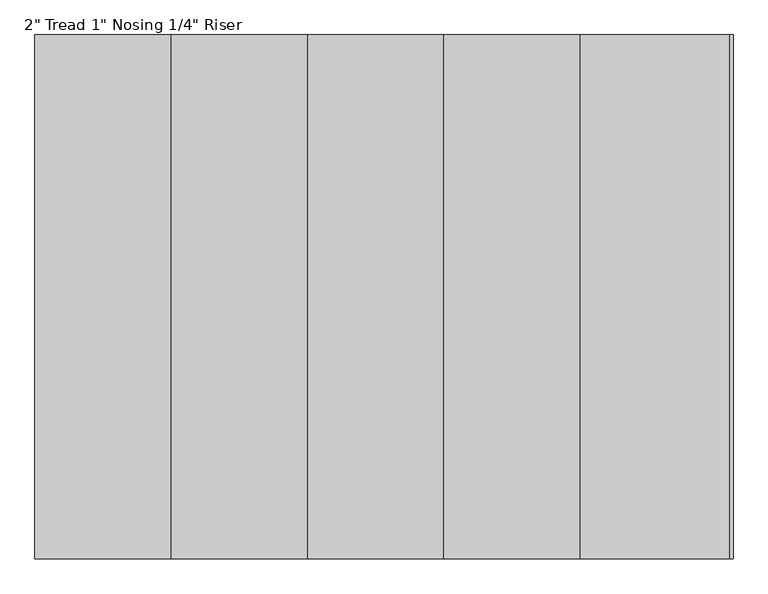
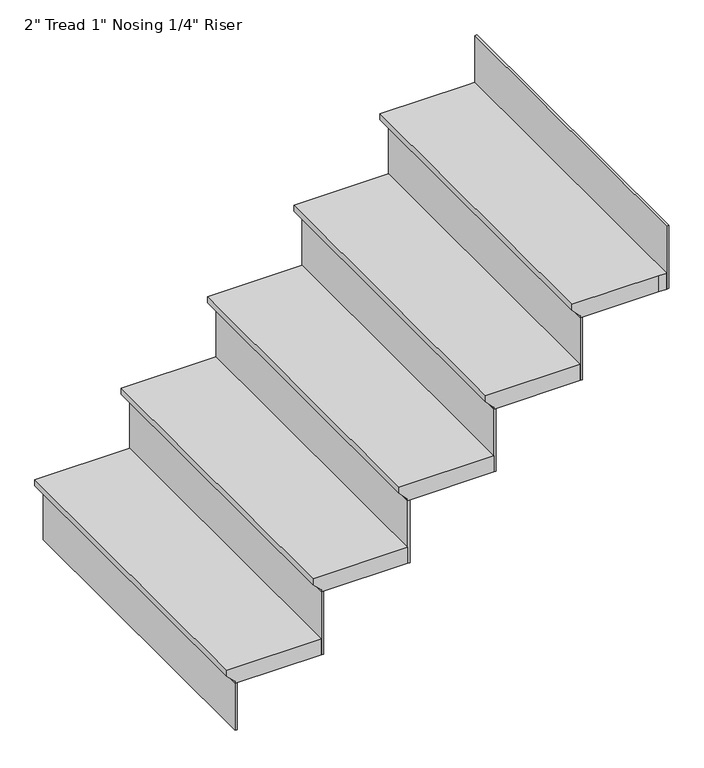
"""IFC4 building model written with IfcOpenShell, lengths in millimetres: stair flight geometry."""

import ifcopenshell
import ifcopenshell.guid

model = None  # the IFC model being written
_history = None  # IfcOwnerHistory: only IFC2X3 demands one
_inside = {}  # id of a spatial element -> (the spatial element, [elements in it])
_under = {}  # id of a project, library or spatial element -> (it, [spatial elements below it])
_declared = {}  # id of a project -> (the project, [libraries it declares])
_typed = {}  # id of a type object -> (the type object, [elements of that type])
_made_of = {}  # id of a material, layer set ... -> (it, [elements and type objects made of it])


def new_model(schema):
    """Start an empty IFC model of exactly this schema.

    Asked for "IFC4X3", IfcOpenShell would pick the latest addendum, in which some entities
    have other attributes; the version numbers below select the first issue.
    IFC2X3 requires an IfcOwnerHistory on every rooted entity: one is made here for all.
    """
    global model, _history
    if schema == "IFC4X3":
        model = ifcopenshell.file(schema_version=(4, 3, 0, 0))
    else:
        model = ifcopenshell.file(schema=schema)
    _inside.clear()
    _under.clear()
    _declared.clear()
    _typed.clear()
    _made_of.clear()
    _history = None
    if model.schema == "IFC2X3":
        org = make("IfcOrganization", Name="unknown")
        user = make(
            "IfcPersonAndOrganization",
            ThePerson=make("IfcPerson", FamilyName="unknown"),
            TheOrganization=org,
        )
        app = make(
            "IfcApplication",
            ApplicationDeveloper=org,
            Version="unknown",
            ApplicationFullName="unknown",
            ApplicationIdentifier="unknown",
        )
        _history = make(
            "IfcOwnerHistory",
            OwningUser=user,
            OwningApplication=app,
            ChangeAction="ADDED",
            CreationDate=0,
        )
    return model


def make(cls, **values):
    """One entity of the class cls with the attributes given. An attribute that is None is left unset."""
    return model.create_entity(
        cls, **{name: value for name, value in values.items() if value is not None}
    )


def rooted(cls, **values):
    """An entity with a GlobalId (a new one), such as an element, a storey or a relation."""
    return make(cls, GlobalId=ifcopenshell.guid.new(), OwnerHistory=_history, **values)


def si_unit(unit_type, name, prefix=None):
    """IfcSIUnit, for example si_unit("LENGTHUNIT", "METRE", prefix="MILLI")."""
    return make("IfcSIUnit", UnitType=unit_type, Prefix=prefix, Name=name)


def assignment(units):
    """IfcUnitAssignment: the units of a project."""
    return None if units is None else make("IfcUnitAssignment", Units=units)


def point(xyz):
    """IfcCartesianPoint."""
    return None if xyz is None else make("IfcCartesianPoint", Coordinates=xyz)


def direction(xyz):
    """IfcDirection."""
    return None if xyz is None else make("IfcDirection", DirectionRatios=xyz)


def frame(location, z_axis=None, x_axis=None):
    """IfcAxis2Placement3D, a coordinate frame: its origin and axes. An axis left out is left unset."""
    return make(
        "IfcAxis2Placement3D",
        Location=point(location),
        Axis=direction(z_axis),
        RefDirection=direction(x_axis),
    )


def origin():
    """The frame at (0, 0, 0) with its axes left unset."""
    return frame((0.0, 0.0, 0.0))


def place(relative_to, where):
    """IfcLocalPlacement: puts the frame where relative to a parent placement (None: the world)."""
    return make(
        "IfcLocalPlacement", PlacementRelTo=relative_to, RelativePlacement=where
    )


def context(
    kind, dimensions, precision=None, world=None, true_north=None, identifier=None
):
    """IfcGeometricRepresentationContext, for example the 3D "Model" context."""
    return make(
        "IfcGeometricRepresentationContext",
        ContextIdentifier=identifier,
        ContextType=kind,
        CoordinateSpaceDimension=dimensions,
        Precision=precision,
        WorldCoordinateSystem=world,
        TrueNorth=true_north,
    )


def project(units=None, contexts=None):
    """IfcProject with its units and contexts."""
    return rooted(
        "IfcProject",
        Name="project",
        RepresentationContexts=contexts,
        UnitsInContext=assignment(units),
    )


def spatial(cls, under=None, at=None, **own):
    """A site, building, storey or space (cls), placed at a placement, below another one or the project."""
    s = rooted(cls, ObjectPlacement=at, **own)
    if under is not None:
        _under.setdefault(under.id(), (under, []))[1].append(s)
    return s


def faces_of(points, faces, orient=None, outer=None):
    """IfcFace entities. A face is a list of loops; a loop is a list of indices into points, from 0.

    orient and outer hold one flag for each loop. By default every Orientation is true, the
    first loop of a face is its IfcFaceOuterBound and the others are IfcFaceBound.
    """
    made = []
    for i, loops in enumerate(faces):
        bounds = []
        for j, loop in enumerate(loops):
            is_outer = j == 0 if outer is None else outer[i][j]
            bounds.append(
                make(
                    "IfcFaceOuterBound" if is_outer else "IfcFaceBound",
                    Bound=make("IfcPolyLoop", Polygon=[points[k] for k in loop]),
                    Orientation=True if orient is None else orient[i][j],
                )
            )
        made.append(make("IfcFace", Bounds=bounds))
    return made


def faceted_brep(points, faces, orient=None, outer=None, voids=None):
    """IfcFacetedBrep: a solid bounded by flat faces; with voids (closed shells), ...WithVoids."""
    shared = [point(p) for p in points]
    hull = make("IfcClosedShell", CfsFaces=faces_of(shared, faces, orient, outer))
    if voids is None:
        return make("IfcFacetedBrep", Outer=hull)
    return make(
        "IfcFacetedBrepWithVoids",
        Outer=hull,
        Voids=[
            make(cls, CfsFaces=faces_of(shared, fs, o, b)) for cls, fs, o, b in voids
        ],
    )


def shape(context_of_items, identifier, shape_type, items):
    """IfcShapeRepresentation: the items that make up one representation, for example the "Body"."""
    return make(
        "IfcShapeRepresentation",
        ContextOfItems=context_of_items,
        RepresentationIdentifier=identifier,
        RepresentationType=shape_type,
        Items=items,
    )


def source(mapping_origin, context_of_items, identifier, shape_type, items):
    """IfcRepresentationMap: a shape defined once, which mapped items show again and again."""
    return make(
        "IfcRepresentationMap",
        MappingOrigin=mapping_origin,
        MappedRepresentation=shape(context_of_items, identifier, shape_type, items),
    )


def transform(
    local_origin,
    x_axis=None,
    y_axis=None,
    z_axis=None,
    scale=None,
    scale2=None,
    scale3=None,
    uniform=True,
):
    """IfcCartesianTransformationOperator3D, or its non-uniform kind. x_axis, y_axis, z_axis: its Axis1, 2, 3."""
    if uniform:
        return make(
            "IfcCartesianTransformationOperator3D",
            Axis1=direction(x_axis),
            Axis2=direction(y_axis),
            LocalOrigin=point(local_origin),
            Scale=scale,
            Axis3=direction(z_axis),
        )
    return make(
        "IfcCartesianTransformationOperator3DnonUniform",
        Axis1=direction(x_axis),
        Axis2=direction(y_axis),
        LocalOrigin=point(local_origin),
        Scale=scale,
        Axis3=direction(z_axis),
        Scale2=scale2,
        Scale3=scale3,
    )


def mapped(mapping_source, mapping_target):
    """IfcMappedItem: shows the shape of a source again, moved by a transform."""
    return make(
        "IfcMappedItem", MappingSource=mapping_source, MappingTarget=mapping_target
    )


def made_of(thing, what):
    """Note that an element or type object is made of a material, layer set ...; save() writes the relation."""
    if what is not None:
        _made_of.setdefault(what.id(), (what, []))[1].append(thing)
    return thing


def element(
    cls,
    number,
    at=None,
    inside=None,
    cuts=None,
    type_object=None,
    material=None,
    context=None,
    identifier="Body",
    shape_type=None,
    held_by="IfcProductDefinitionShape",
    body=None,
    shapes=None,
    **own,
):
    """One element of the class cls, such as IfcWall. Its Tag is "e" and its number.

    at: its placement. inside: the storey or other place that contains it. cuts: it is an
    opening in that element (IfcRelVoidsElement). A single representation is given by context,
    identifier, shape_type and body (its items); several are given by shapes. held_by: the class
    of the entity that holds the representations. save() writes the other relations.
    """
    e = rooted(cls, Tag="e%d" % number, ObjectPlacement=at, **own)
    if body is not None:
        shapes = [shape(context, identifier, shape_type, body)]
    if shapes is not None:
        e.Representation = make(held_by, Representations=shapes)
    if inside is not None:
        _inside.setdefault(inside.id(), (inside, []))[1].append(e)
    if cuts is not None:
        rooted(
            "IfcRelVoidsElement", RelatingBuildingElement=cuts, RelatedOpeningElement=e
        )
    if type_object is not None:
        _typed.setdefault(type_object.id(), (type_object, []))[1].append(e)
    return made_of(e, material)


def aggregate(whole, parts):
    """IfcRelAggregates: a whole, such as a stair, and the parts it consists of."""
    return rooted("IfcRelAggregates", RelatingObject=whole, RelatedObjects=parts)


def save(model, path):
    """Write the relations noted so far, then the file.

    IfcRelAggregates (storeys below a building ...), IfcRelContainedInSpatialStructure (elements
    in a storey), IfcRelDefinesByType, IfcRelAssociatesMaterial and IfcRelDeclares: one each for
    every whole, place, type object, material and project.
    """
    for whole, parts in _under.values():
        aggregate(whole, parts)
    for where, things in _inside.values():
        rooted(
            "IfcRelContainedInSpatialStructure",
            RelatedElements=things,
            RelatingStructure=where,
        )
    for kind, things in _typed.values():
        rooted("IfcRelDefinesByType", RelatedObjects=things, RelatingType=kind)
    for what, things in _made_of.values():
        rooted("IfcRelAssociatesMaterial", RelatedObjects=things, RelatingMaterial=what)
    for by, libraries in _declared.values():
        rooted("IfcRelDeclares", RelatingContext=by, RelatedDefinitions=libraries)
    model.write(path)


def stair_flight_2cee88e7(model_context):
    return source(origin(), model_context, "Body", "Brep", [
        faceted_brep([(1370.2555789, 658.1866334, 84600.0), (1370.2555789, -341.8133666, 84600.0), (1655.6555789, -341.8133666, 84600.0), (1655.6555789, 658.1866334, 84600.0), (1395.6555789, 658.1866334, 84549.2), (1655.6555789, 658.1866334, 84549.2), (1655.6555789, -341.8133666, 84549.2), (1395.6555789, -341.8133666, 84549.2), (1395.6555789, 658.1866334, 84555.55), (1370.2555789, 658.1866334, 84580.95), (1395.6555789, -341.8133666, 84555.55), (1370.2555789, -341.8133666, 84580.95)], [[[0, 1, 2, 3]], [[4, 5, 6, 7]], [[0, 3, 5, 4, 8, 9]], [[4, 7, 10, 8]], [[2, 1, 11, 10, 7, 6]], [[3, 2, 6, 5]], [[11, 1, 0, 9]], [[10, 11, 9, 8]]]),
        faceted_brep([(1395.6555789, -341.8133666, 84549.2), (1395.6555789, -341.8133666, 84400.0), (1402.0055789, -341.8133666, 84400.0), (1402.0055789, -341.8133666, 84549.2), (1395.6555789, 658.1866334, 84549.2), (1402.0055789, 658.1866334, 84549.2), (1402.0055789, 658.1866334, 84400.0), (1395.6555789, 658.1866334, 84400.0)], [[[0, 1, 2, 3]], [[4, 5, 6, 7]], [[1, 0, 4, 7]], [[2, 1, 7, 6]], [[3, 2, 6, 5]], [[0, 3, 5, 4]]]),
        faceted_brep([(1630.2555789, 658.1866334, 84800.0), (1630.2555789, -341.8133666, 84800.0), (1915.6555789, -341.8133666, 84800.0), (1915.6555789, 658.1866334, 84800.0), (1655.6555789, 658.1866334, 84749.2), (1915.6555789, 658.1866334, 84749.2), (1915.6555789, -341.8133666, 84749.2), (1655.6555789, -341.8133666, 84749.2), (1655.6555789, 658.1866334, 84755.55), (1630.2555789, 658.1866334, 84780.95), (1655.6555789, -341.8133666, 84755.55), (1630.2555789, -341.8133666, 84780.95)], [[[0, 1, 2, 3]], [[4, 5, 6, 7]], [[0, 3, 5, 4, 8, 9]], [[4, 7, 10, 8]], [[2, 1, 11, 10, 7, 6]], [[3, 2, 6, 5]], [[11, 1, 0, 9]], [[10, 11, 9, 8]]]),
        faceted_brep([(1655.6555789, -341.8133666, 84749.2), (1655.6555789, -341.8133666, 84549.2), (1662.0055789, -341.8133666, 84549.2), (1662.0055789, -341.8133666, 84749.2), (1655.6555789, 658.1866334, 84749.2), (1662.0055789, 658.1866334, 84749.2), (1662.0055789, 658.1866334, 84549.2), (1655.6555789, 658.1866334, 84549.2)], [[[0, 1, 2, 3]], [[4, 5, 6, 7]], [[1, 0, 4, 7]], [[2, 1, 7, 6]], [[3, 2, 6, 5]], [[0, 3, 5, 4]]]),
        faceted_brep([(1890.2555789, 658.1866334, 85000.0), (1890.2555789, -341.8133666, 85000.0), (2175.6555789, -341.8133666, 85000.0), (2175.6555789, 658.1866334, 85000.0), (1915.6555789, 658.1866334, 84949.2), (2175.6555789, 658.1866334, 84949.2), (2175.6555789, -341.8133666, 84949.2), (1915.6555789, -341.8133666, 84949.2), (1915.6555789, 658.1866334, 84955.55), (1890.2555789, 658.1866334, 84980.95), (1915.6555789, -341.8133666, 84955.55), (1890.2555789, -341.8133666, 84980.95)], [[[0, 1, 2, 3]], [[4, 5, 6, 7]], [[0, 3, 5, 4, 8, 9]], [[4, 7, 10, 8]], [[2, 1, 11, 10, 7, 6]], [[3, 2, 6, 5]], [[11, 1, 0, 9]], [[10, 11, 9, 8]]]),
        faceted_brep([(1915.6555789, -341.8133666, 84949.2), (1915.6555789, -341.8133666, 84749.2), (1922.0055789, -341.8133666, 84749.2), (1922.0055789, -341.8133666, 84949.2), (1915.6555789, 658.1866334, 84949.2), (1922.0055789, 658.1866334, 84949.2), (1922.0055789, 658.1866334, 84749.2), (1915.6555789, 658.1866334, 84749.2)], [[[0, 1, 2, 3]], [[4, 5, 6, 7]], [[1, 0, 4, 7]], [[2, 1, 7, 6]], [[3, 2, 6, 5]], [[0, 3, 5, 4]]]),
        faceted_brep([(2150.2555789, 658.1866334, 85200.0), (2150.2555789, -341.8133666, 85200.0), (2435.6555789, -341.8133666, 85200.0), (2435.6555789, 658.1866334, 85200.0), (2175.6555789, 658.1866334, 85149.2), (2435.6555789, 658.1866334, 85149.2), (2435.6555789, -341.8133666, 85149.2), (2175.6555789, -341.8133666, 85149.2), (2175.6555789, 658.1866334, 85155.55), (2150.2555789, 658.1866334, 85180.95), (2175.6555789, -341.8133666, 85155.55), (2150.2555789, -341.8133666, 85180.95)], [[[0, 1, 2, 3]], [[4, 5, 6, 7]], [[0, 3, 5, 4, 8, 9]], [[4, 7, 10, 8]], [[2, 1, 11, 10, 7, 6]], [[3, 2, 6, 5]], [[11, 1, 0, 9]], [[10, 11, 9, 8]]]),
        faceted_brep([(2175.6555789, -341.8133666, 85149.2), (2175.6555789, -341.8133666, 84949.2), (2182.0055789, -341.8133666, 84949.2), (2182.0055789, -341.8133666, 85149.2), (2175.6555789, 658.1866334, 85149.2), (2182.0055789, 658.1866334, 85149.2), (2182.0055789, 658.1866334, 84949.2), (2175.6555789, 658.1866334, 84949.2)], [[[0, 1, 2, 3]], [[4, 5, 6, 7]], [[1, 0, 4, 7]], [[2, 1, 7, 6]], [[3, 2, 6, 5]], [[0, 3, 5, 4]]]),
        faceted_brep([(2695.6555789, 658.1866334, 85400.0), (2670.2555789, 658.1866334, 85400.0), (2410.2555789, 658.1866334, 85400.0), (2410.2555789, -341.8133666, 85400.0), (2670.2555789, -341.8133666, 85400.0), (2695.6555789, -341.8133666, 85400.0), (2670.2555789, 658.1866334, 85349.2), (2695.6555789, 658.1866334, 85349.2), (2695.6555789, -341.8133666, 85349.2), (2670.2555789, -341.8133666, 85349.2), (2435.6555789, -341.8133666, 85349.2), (2435.6555789, 658.1866334, 85349.2), (2435.6555789, -341.8133666, 85355.55), (2435.6555789, 658.1866334, 85355.55), (2410.2555789, -341.8133666, 85380.95), (2410.2555789, 658.1866334, 85380.95)], [[[0, 1, 2, 3, 4, 5]], [[6, 7, 8, 9, 10, 11]], [[1, 0, 7, 6]], [[11, 10, 12, 13]], [[4, 3, 14, 12, 10, 9]], [[0, 5, 8, 7]], [[14, 3, 2, 15]], [[12, 14, 15, 13]], [[2, 1, 6, 11, 13, 15]], [[5, 4, 9, 8]]]),
        faceted_brep([(2435.6555789, -341.8133666, 85349.2), (2435.6555789, -341.8133666, 85149.2), (2442.0055789, -341.8133666, 85149.2), (2442.0055789, -341.8133666, 85349.2), (2435.6555789, 658.1866334, 85349.2), (2442.0055789, 658.1866334, 85349.2), (2442.0055789, 658.1866334, 85149.2), (2435.6555789, 658.1866334, 85149.2)], [[[0, 1, 2, 3]], [[4, 5, 6, 7]], [[1, 0, 4, 7]], [[2, 1, 7, 6]], [[3, 2, 6, 5]], [[0, 3, 5, 4]]]),
        faceted_brep([(2695.6555789, -341.8133666, 85549.2), (2695.6555789, -341.8133666, 85349.2), (2702.0055789, -341.8133666, 85349.2), (2702.0055789, -341.8133666, 85549.2), (2695.6555789, 658.1866334, 85549.2), (2702.0055789, 658.1866334, 85549.2), (2702.0055789, 658.1866334, 85349.2), (2695.6555789, 658.1866334, 85349.2)], [[[0, 1, 2, 3]], [[4, 5, 6, 7]], [[1, 0, 4, 7]], [[2, 1, 7, 6]], [[3, 2, 6, 5]], [[0, 3, 5, 4]]]),
    ])


if __name__ == "__main__":
    model = new_model("IFC4")
    model_context = context("Model", 3, world=origin())
    ifc_project = project(units=[si_unit("LENGTHUNIT", "METRE", prefix="MILLI")], contexts=[model_context])
    site = spatial("IfcSite", under=ifc_project)
    building = spatial("IfcBuilding", under=site)
    placement = place(None, origin())
    stair_flight_shape = stair_flight_2cee88e7(model_context)
    element("IfcStairFlight", 1, ObjectType="2\" Tread 1\" Nosing 1/4\" Riser", at=placement, inside=building, context=model_context, shape_type="MappedRepresentation", body=[
        mapped(stair_flight_shape, transform((0.0, 0.0, 0.0), x_axis=(1.0, 0.0, 0.0), y_axis=(0.0, 1.0, 0.0), z_axis=(0.0, 0.0, 1.0))),
    ])
    save(model, "model.ifc")
